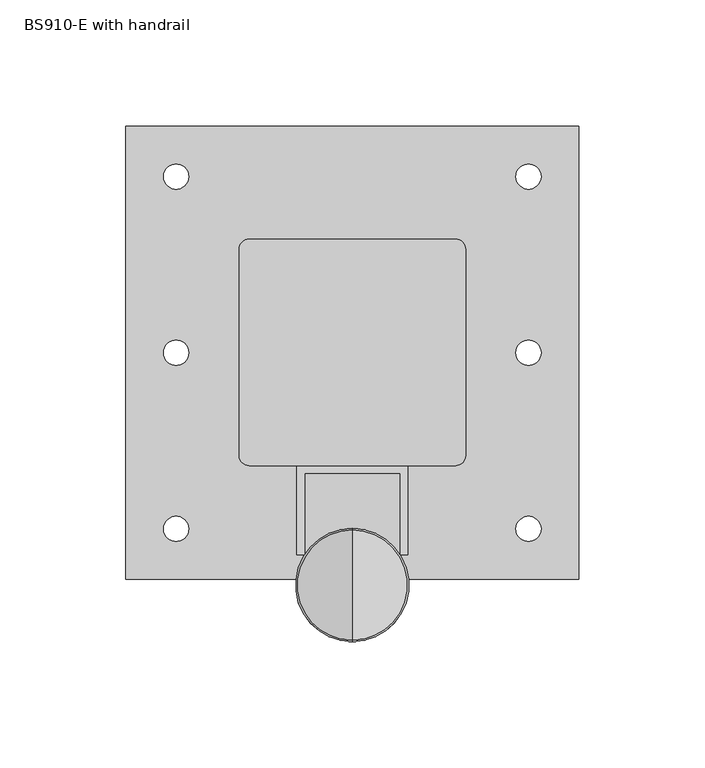
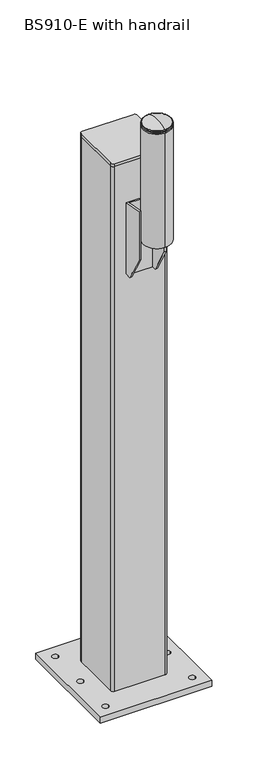
"""IFC4 building model written with IfcOpenShell, lengths in millimetres: proxy geometry, BS910-E with handrail."""

from ifc_helpers import new_model, si_unit, point, frame, frame_2d, origin, origin_with_axes, place, context, project, spatial, polyline, circle_curve, ellipse_curve, trimmed, segment, composite_curve, outline, extrude, faceted_brep, source, transform, mapped, element, save
from ifc_brep_helpers import plane_surface, cylinder_surface, revolved_surface, advanced_brep


def bs910_e_with_handrail_7c3b71ff(model_context):
    return source(origin(), model_context, "Body", "SolidModel", [
        extrude(outline(composite_curve([segment(polyline([(41.0, -45.0), (-41.0, -45.0)]), True, "CONTINUOUS"), segment(trimmed(circle_curve(frame_2d((-41.0, -41.0)), 4.0), [point((-41.0, -45.0))], [point((-45.0, -41.0))], False, "CARTESIAN"), True, "CONTINUOUS"), segment(polyline([(-45.0, -41.0), (-45.0, 41.0)]), True, "CONTINUOUS"), segment(trimmed(circle_curve(frame_2d((-41.0, 41.0)), 4.0), [point((-45.0, 41.0))], [point((-41.0, 45.0))], False, "CARTESIAN"), True, "CONTINUOUS"), segment(polyline([(-41.0, 45.0), (41.0, 45.0)]), True, "CONTINUOUS"), segment(trimmed(circle_curve(frame_2d((41.0, 41.0)), 4.0), [point((41.0, 45.0))], [point((45.0, 41.0))], False, "CARTESIAN"), True, "CONTINUOUS"), segment(polyline([(45.0, 41.0), (45.0, -41.0)]), True, "CONTINUOUS"), segment(trimmed(circle_curve(frame_2d((41.0, -41.0)), 4.0), [point((45.0, -41.0))], [point((41.0, -45.0))], False, "CARTESIAN"), True, "CONTINUOUS")], self_intersect=False)), frame((0.0, 0.0, 905.0), z_axis=(0.0, 0.0, 1.0), x_axis=(1.0, 0.0, 0.0)), (0.0, 0.0, 1.0), 5.0),
        faceted_brep([(19.0, -80.5, 843.0), (19.0, -48.0, 836.9360897), (19.0, -48.0, 715.0), (19.0, -55.0, 715.0), (19.0, -80.5, 760.0), (22.0, -45.0, 836.3763441), (22.0, -80.5, 843.0), (22.0, -80.5, 760.0), (22.0, -55.0, 715.0), (22.0, -45.0, 715.0), (-22.0, -45.0, 836.3763441), (-22.0, -80.5, 843.0), (-19.0, -80.5, 843.0), (-19.0, -48.0, 836.9360897), (-19.0, -48.0, 715.0), (-19.0, -55.0, 715.0), (-22.0, -55.0, 715.0), (-22.0, -45.0, 715.0), (-22.0, -80.5, 760.0), (-19.0, -80.5, 760.0)], [[[0, 1, 2, 3, 4]], [[5, 6, 7, 8, 9]], [[6, 5, 10, 11, 12, 13, 1, 0]], [[4, 7, 6, 0]], [[3, 8, 7, 4]], [[3, 2, 14, 15, 16, 17, 9, 8]], [[17, 10, 5, 9]], [[10, 17, 16, 18, 11]], [[15, 14, 13, 12, 19]], [[18, 19, 12, 11]], [[16, 15, 19, 18]], [[1, 13, 14, 2]]]),
        advanced_brep(
        [(0.0, -70.0, 990.0), (0.0, -92.5, 990.0), (0.0, -115.0, 990.0), (0.0, -70.0, 992.0), (0.0, -115.0, 992.0), (0.0, -71.0, 992.0), (0.0, -114.0, 992.0), (0.0, -71.0, 993.0), (0.0, -114.0, 993.0), (0.0, -70.0, 993.0), (0.0, -115.0, 993.0), (0.0, -70.0, 994.3593724), (0.0, -115.0, 994.3593724), (0.0, -70.58753, 995.2703436), (0.0, -114.41247, 995.2703436), (0.0, -92.5, 1000.0)],
        [
            (0, 1),
            (1, 2),
            (2, 0, circle_curve(frame((0.0, -92.5, 990.0), z_axis=(0.0, 0.0, -1.0), x_axis=(0.0, -1.0, 0.0)), 22.5)),
            (0, 2, circle_curve(frame((0.0, -92.5, 990.0), z_axis=(0.0, 0.0, -1.0), x_axis=(0.0, -1.0, 0.0)), 22.5)),
            (3, 0),
            (2, 4),
            (4, 3, circle_curve(frame((0.0, -92.5, 992.0), z_axis=(0.0, 0.0, -1.0), x_axis=(0.0, -1.0, 0.0)), 22.5)),
            (3, 4, circle_curve(frame((0.0, -92.5, 992.0), z_axis=(0.0, 0.0, -1.0), x_axis=(0.0, -1.0, 0.0)), 22.5)),
            (5, 3),
            (4, 6),
            (6, 5, circle_curve(frame((0.0, -92.5, 992.0), z_axis=(0.0, 0.0, -1.0), x_axis=(0.0, -1.0, 0.0)), 21.5)),
            (5, 6, circle_curve(frame((0.0, -92.5, 992.0), z_axis=(0.0, 0.0, -1.0), x_axis=(0.0, -1.0, 0.0)), 21.5)),
            (7, 5),
            (6, 8),
            (8, 7, circle_curve(frame((0.0, -92.5, 993.0), z_axis=(0.0, 0.0, -1.0), x_axis=(0.0, -1.0, 0.0)), 21.5)),
            (7, 8, circle_curve(frame((0.0, -92.5, 993.0), z_axis=(0.0, 0.0, -1.0), x_axis=(0.0, -1.0, 0.0)), 21.5)),
            (9, 7),
            (8, 10),
            (10, 9, circle_curve(frame((0.0, -92.5, 993.0), z_axis=(0.0, 0.0, -1.0), x_axis=(0.0, -1.0, 0.0)), 22.5)),
            (9, 10, circle_curve(frame((0.0, -92.5, 993.0), z_axis=(0.0, 0.0, -1.0), x_axis=(0.0, -1.0, 0.0)), 22.5)),
            (11, 9),
            (10, 12),
            (12, 11, circle_curve(frame((0.0, -92.5, 994.3593724), z_axis=(0.0, 0.0, -1.0), x_axis=(0.0, -1.0, 0.0)), 22.5)),
            (11, 12, circle_curve(frame((0.0, -92.5, 994.3593724), z_axis=(0.0, 0.0, -1.0), x_axis=(0.0, -1.0, 0.0)), 22.5)),
            (13, 11, circle_curve(frame((0.0, -71.0, 994.3593724), z_axis=(-1.0, 0.0, 0.0), x_axis=(0.0, 1.0, 0.0)), 1.0)),
            (12, 14, circle_curve(frame((0.0, -114.0, 994.3593724), z_axis=(-1.0, 0.0, 0.0), x_axis=(0.0, -1.0, 0.0)), 1.0)),
            (14, 13, circle_curve(frame((0.0, -92.5, 995.2703436), z_axis=(0.0, 0.0, -1.0), x_axis=(0.0, -1.0, 0.0)), 21.91247)),
            (13, 14, circle_curve(frame((0.0, -92.5, 995.2703436), z_axis=(0.0, 0.0, -1.0), x_axis=(0.0, -1.0, 0.0)), 21.91247)),
            (15, 13, circle_curve(frame((0.0, -92.5, 946.875), z_axis=(-1.0, 0.0, 0.0), x_axis=(0.0, 1.0, 0.0)), 53.125)),
            (14, 15, circle_curve(frame((0.0, -92.5, 946.875), z_axis=(-1.0, 0.0, 0.0), x_axis=(0.0, -1.0, 0.0)), 53.125)),
        ],
        [
            plane_surface(frame((0.0, -92.5, 990.0), z_axis=(0.0, 0.0, -1.0), x_axis=(0.0, -1.0, 0.0))),
            cylinder_surface(frame((0.0, -92.5, 1162.6710842), z_axis=(0.0, 0.0, 1.0), x_axis=(0.0, -1.0, 0.0)), 22.5),
            plane_surface(frame((0.0, -92.5, 992.0), z_axis=(0.0, 0.0, 1.0), x_axis=(0.0, -1.0, 0.0))),
            cylinder_surface(frame((0.0, -92.5, 1162.6710842), z_axis=(0.0, 0.0, 1.0), x_axis=(0.0, -1.0, 0.0)), 21.5),
            plane_surface(frame((0.0, -92.5, 993.0), z_axis=(0.0, 0.0, -1.0), x_axis=(0.0, -1.0, 0.0))),
            revolved_surface(trimmed(ellipse_curve(frame((0.0, -114.0, 994.3593724), z_axis=(-1.0, 0.0, 0.0), x_axis=(0.0, -1.0, 0.0)), 1.0, 1.0), [point((0.0, -115.0, 994.3593724))], [point((0.0, -114.41247, 995.2703436))], True, "CARTESIAN"), (0.0, -92.5, 1162.6710842), (0.0, 0.0, 1.0)),
            revolved_surface(trimmed(ellipse_curve(frame((0.0, -92.5, 946.875), z_axis=(-1.0, 0.0, 0.0), x_axis=(0.0, -1.0, 0.0)), 53.125, 53.125), [point((0.0, -114.41247, 995.2703436))], [point((0.0, -92.5, 1000.0))], True, "CARTESIAN"), (0.0, -92.5, 1162.6710842), (0.0, 0.0, 1.0)),
        ],
        [
            (0, [[1, 2, 3]]),
            (0, [[-2, -1, 4]]),
            (1, [[5, -3, 6, 7]]),
            (1, [[-6, -4, -5, 8]]),
            (2, [[9, -7, 10, 11]]),
            (2, [[-10, -8, -9, 12]]),
            (3, [[13, -11, 14, 15]]),
            (3, [[-14, -12, -13, 16]]),
            (4, [[17, -15, 18, 19]]),
            (4, [[-18, -16, -17, 20]]),
            (1, [[21, -19, 22, 23]]),
            (1, [[-22, -20, -21, 24]]),
            (5, [[25, -23, 26, 27]]),
            (5, [[-26, -24, -25, 28]]),
            (6, [[29, -27, 30]]),
            (6, [[-30, -28, -29]]),
        ],
    ),
        extrude(outline(composite_curve([segment(trimmed(circle_curve(frame_2d((0.0, -92.5)), 22.5), [point((0.0, -70.0))], [point((0.0, -115.0))], False, "CARTESIAN"), True, "CONTINUOUS"), segment(trimmed(circle_curve(frame_2d((0.0, -92.5)), 22.5), [point((0.0, -115.0))], [point((0.0, -70.0))], False, "CARTESIAN"), True, "CONTINUOUS")], self_intersect=False)), frame((0.0, 0.0, 795.0), z_axis=(0.0, 0.0, 1.0), x_axis=(1.0, 0.0, 0.0)), (0.0, 0.0, 1.0), 195.0),
        extrude(outline(composite_curve([segment(trimmed(circle_curve(frame_2d((-41.0, 41.0)), 4.0), [point((-45.0, 41.0))], [point((-41.0, 45.0))], False, "CARTESIAN"), True, "CONTINUOUS"), segment(polyline([(-41.0, 45.0), (41.0, 45.0)]), True, "CONTINUOUS"), segment(trimmed(circle_curve(frame_2d((41.0, 41.0)), 4.0), [point((41.0, 45.0))], [point((45.0, 41.0))], False, "CARTESIAN"), True, "CONTINUOUS"), segment(polyline([(45.0, 41.0), (45.0, -41.0)]), True, "CONTINUOUS"), segment(trimmed(circle_curve(frame_2d((41.0, -41.0)), 4.0), [point((45.0, -41.0))], [point((41.0, -45.0))], False, "CARTESIAN"), True, "CONTINUOUS"), segment(polyline([(41.0, -45.0), (-41.0, -45.0)]), True, "CONTINUOUS"), segment(trimmed(circle_curve(frame_2d((-41.0, -41.0)), 4.0), [point((-41.0, -45.0))], [point((-45.0, -41.0))], False, "CARTESIAN"), True, "CONTINUOUS"), segment(polyline([(-45.0, -41.0), (-45.0, 41.0)]), True, "CONTINUOUS")], self_intersect=False), holes=[composite_curve([segment(trimmed(circle_curve(frame_2d((39.0, -39.0)), 2.0), [point((39.0, -41.0))], [point((41.0, -39.0))], True, "CARTESIAN"), True, "CONTINUOUS"), segment(polyline([(41.0, -39.0), (41.0, 39.0)]), True, "CONTINUOUS"), segment(trimmed(circle_curve(frame_2d((39.0, 39.0)), 2.0), [point((41.0, 39.0))], [point((39.0, 41.0))], True, "CARTESIAN"), True, "CONTINUOUS"), segment(polyline([(39.0, 41.0), (-39.0, 41.0)]), True, "CONTINUOUS"), segment(trimmed(circle_curve(frame_2d((-39.0, 39.0)), 2.0), [point((-39.0, 41.0))], [point((-41.0, 39.0))], True, "CARTESIAN"), True, "CONTINUOUS"), segment(polyline([(-41.0, 39.0), (-41.0, -39.0)]), True, "CONTINUOUS"), segment(trimmed(circle_curve(frame_2d((-39.0, -39.0)), 2.0), [point((-41.0, -39.0))], [point((-39.0, -41.0))], True, "CARTESIAN"), True, "CONTINUOUS"), segment(polyline([(-39.0, -41.0), (39.0, -41.0)]), True, "CONTINUOUS")], self_intersect=False)]), frame((0.0, 0.0, 10.0), z_axis=(0.0, 0.0, 1.0), x_axis=(1.0, 0.0, 0.0)), (0.0, 0.0, 1.0), 895.0),
        extrude(outline(polyline([(90.0, -90.0), (-90.0, -90.0), (-90.0, 90.0), (90.0, 90.0), (90.0, -90.0)]), holes=[composite_curve([segment(trimmed(circle_curve(frame_2d((-70.0, -70.0)), 5.0), [point((-75.0, -70.0))], [point((-65.0, -70.0))], True, "CARTESIAN"), True, "CONTINUOUS"), segment(trimmed(circle_curve(frame_2d((-70.0, -70.0)), 5.0), [point((-65.0, -70.0))], [point((-75.0, -70.0))], True, "CARTESIAN"), True, "CONTINUOUS")], self_intersect=False), composite_curve([segment(trimmed(circle_curve(frame_2d((-70.0, 0.0)), 5.0), [point((-75.0, 0.0))], [point((-65.0, 0.0))], True, "CARTESIAN"), True, "CONTINUOUS"), segment(trimmed(circle_curve(frame_2d((-70.0, 0.0)), 5.0), [point((-65.0, 0.0))], [point((-75.0, 0.0))], True, "CARTESIAN"), True, "CONTINUOUS")], self_intersect=False), composite_curve([segment(trimmed(circle_curve(frame_2d((-70.0, 70.0)), 5.0), [point((-75.0, 70.0))], [point((-65.0, 70.0))], True, "CARTESIAN"), True, "CONTINUOUS"), segment(trimmed(circle_curve(frame_2d((-70.0, 70.0)), 5.0), [point((-65.0, 70.0))], [point((-75.0, 70.0))], True, "CARTESIAN"), True, "CONTINUOUS")], self_intersect=False), composite_curve([segment(trimmed(circle_curve(frame_2d((70.0, 70.0)), 5.0), [point((65.0, 70.0))], [point((75.0, 70.0))], True, "CARTESIAN"), True, "CONTINUOUS"), segment(trimmed(circle_curve(frame_2d((70.0, 70.0)), 5.0), [point((75.0, 70.0))], [point((65.0, 70.0))], True, "CARTESIAN"), True, "CONTINUOUS")], self_intersect=False), composite_curve([segment(trimmed(circle_curve(frame_2d((70.0, 0.0)), 5.0), [point((65.0, 0.0))], [point((75.0, 0.0))], True, "CARTESIAN"), True, "CONTINUOUS"), segment(trimmed(circle_curve(frame_2d((70.0, 0.0)), 5.0), [point((75.0, 0.0))], [point((65.0, 0.0))], True, "CARTESIAN"), True, "CONTINUOUS")], self_intersect=False), composite_curve([segment(trimmed(circle_curve(frame_2d((70.0, -70.0)), 5.0), [point((65.0, -70.0))], [point((75.0, -70.0))], True, "CARTESIAN"), True, "CONTINUOUS"), segment(trimmed(circle_curve(frame_2d((70.0, -70.0)), 5.0), [point((75.0, -70.0))], [point((65.0, -70.0))], True, "CARTESIAN"), True, "CONTINUOUS")], self_intersect=False)]), origin_with_axes(), (0.0, 0.0, 1.0), 10.0),
    ])


if __name__ == "__main__":
    model = new_model("IFC4")
    model_context = context("Model", 3, world=origin())
    ifc_project = project(units=[si_unit("LENGTHUNIT", "METRE", prefix="MILLI")], contexts=[model_context])
    site = spatial("IfcSite", under=ifc_project)
    building = spatial("IfcBuilding", under=site)
    placement = place(None, origin())
    bs910_e_with_handrail_shape = bs910_e_with_handrail_7c3b71ff(model_context)
    element("IfcBuildingElementProxy", 1, Name="BS910-E with handrail", ObjectType="BS910-E with handrail", at=placement, inside=building, context=model_context, shape_type="MappedRepresentation", body=[
        mapped(bs910_e_with_handrail_shape, transform((0.0, 0.0, 0.0), x_axis=(1.0, 0.0, 0.0), y_axis=(0.0, 1.0, 0.0), z_axis=(0.0, 0.0, 1.0))),
    ])
    save(model, "model.ifc")
